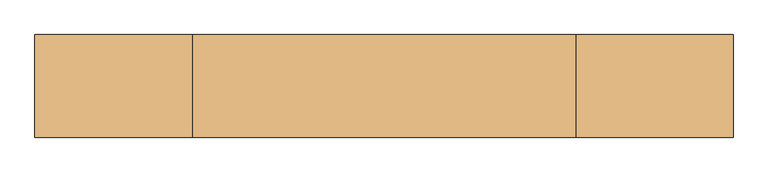
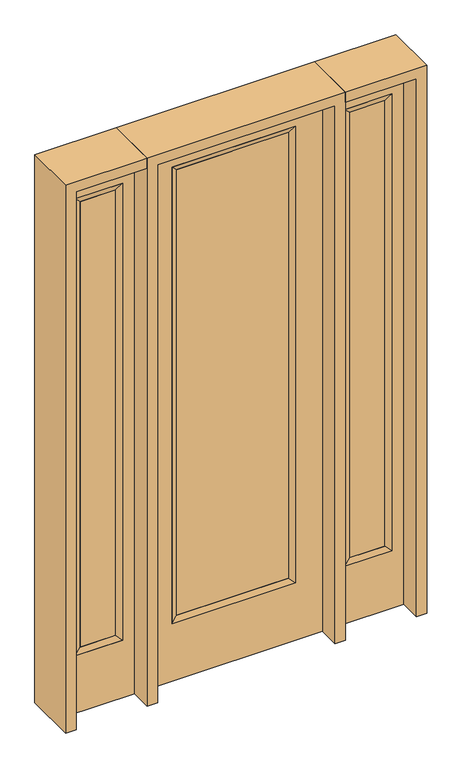
"""IFC4 building model written with IfcOpenShell, lengths in millimetres: door geometry."""

from ifc_helpers import new_model, si_unit, frame, origin, place, context, project, spatial, polyline, outline, extrude, faceted_brep, source, transform, mapped, element, save


def door_b85a08cd(model_context):
    return source(origin(), model_context, "Body", "SolidModel", [
        extrude(outline(polyline([(240.1824, -12.7039749), (-240.1824, -12.7039749), (-240.1824, 14.2875), (240.1824, 14.2875), (240.1824, -12.7039749)])), frame((0.0, 0.0, 285.75), z_axis=(0.0, 0.0, 1.0), x_axis=(1.0, 0.0, 0.0)), (0.0, 0.0, 1.0), 2019.3),
        faceted_brep([(240.1824, 14.2875, 2305.05), (265.5824, 22.225, 2330.45), (265.5824, 22.225, 260.35), (240.1824, 14.2875, 285.75), (265.5824, -22.225, 2330.45), (265.5824, -22.225, 260.35), (-265.5824, 22.225, 260.35), (-240.1824, 14.2875, 285.75), (240.1824, -12.7039749, 2305.05), (240.1824, -12.7039749, 285.75), (-240.1824, -12.7039749, 285.75), (-265.5824, -22.225, 260.35), (-265.5824, 22.225, 2330.45), (-240.1824, 14.2875, 2305.05), (-240.1824, -12.7039749, 2305.05), (-265.5824, -22.225, 2330.45)], [[[0, 1, 2, 3]], [[1, 4, 5, 2]], [[3, 2, 6, 7]], [[8, 0, 3, 9]], [[9, 3, 7, 10]], [[4, 8, 9, 5]], [[5, 9, 10, 11]], [[2, 5, 11, 6]], [[7, 6, 12, 13]], [[10, 7, 13, 14]], [[11, 10, 14, 15]], [[6, 11, 15, 12]], [[13, 12, 1, 0]], [[14, 13, 0, 8]], [[15, 14, 8, 4]], [[12, 15, 4, 1]]]),
        extrude(outline(polyline([(0.0, -381.0), (0.0, 381.0), (2438.4, 381.0), (2438.4, -381.0), (0.0, -381.0)]), holes=[polyline([(260.35, -265.5824), (2330.45, -265.5824), (2330.45, 265.5824), (260.35, 265.5824), (260.35, -265.5824)])]), frame((0.0, -22.225, 0.0), z_axis=(0.0, 1.0, 0.0), x_axis=(0.0, 0.0, 1.0)), (0.0, 0.0, 1.0), 44.45),
        faceted_brep([(476.25, 20.6375, 2330.45), (476.25, 20.6375, 260.35), (476.25, -20.6375, 260.35), (476.25, -20.6375, 2330.45), (501.65, -12.7, 285.75), (501.65, -12.7, 2305.05), (679.45, 20.6375, 260.35), (679.45, -20.6375, 260.35), (501.65, 12.7, 2305.05), (501.65, 12.7, 285.75), (654.05, 12.7, 285.75), (654.05, -12.7, 285.75), (679.45, 20.6375, 2330.45), (679.45, -20.6375, 2330.45), (654.05, 12.7, 2305.05), (654.05, -12.7, 2305.05)], [[[0, 1, 2, 3]], [[3, 2, 4, 5]], [[1, 6, 7, 2]], [[8, 9, 1, 0]], [[9, 10, 6, 1]], [[5, 4, 9, 8]], [[4, 11, 10, 9]], [[2, 7, 11, 4]], [[6, 12, 13, 7]], [[10, 14, 12, 6]], [[11, 15, 14, 10]], [[7, 13, 15, 11]], [[12, 0, 3, 13]], [[14, 8, 0, 12]], [[15, 5, 8, 14]], [[13, 3, 5, 15]]]),
        extrude(outline(polyline([(0.0, 730.25), (2438.4, 730.25), (2438.4, 425.45), (0.0, 425.45), (0.0, 730.25)]), holes=[polyline([(2330.45, 476.25), (2330.45, 679.45), (260.35, 679.45), (260.35, 476.25), (2330.45, 476.25)])]), frame((0.0, -20.6375, 0.0), z_axis=(0.0, 1.0, 0.0), x_axis=(0.0, 0.0, 1.0)), (0.0, 0.0, 1.0), 41.275),
        extrude(outline(polyline([(501.65, -12.7), (501.65, 12.7), (654.05, 12.7), (654.05, -12.7), (501.65, -12.7)])), frame((0.0, 0.0, 284.95625), z_axis=(0.0, 0.0, 1.0), x_axis=(1.0, 0.0, 0.0)), (0.0, 0.0, 1.0), 2020.09375),
        faceted_brep([(-476.25, 20.6375, 2330.45), (-476.25, -20.6375, 2330.45), (-476.25, -20.6375, 260.35), (-476.25, 20.6375, 260.35), (-501.65, -12.7, 2305.05), (-501.65, -12.7, 285.75), (-679.45, -20.6375, 260.35), (-679.45, 20.6375, 260.35), (-501.65, 12.7, 2305.05), (-501.65, 12.7, 285.75), (-654.05, 12.7, 285.75), (-654.05, -12.7, 285.75), (-679.45, -20.6375, 2330.45), (-679.45, 20.6375, 2330.45), (-654.05, 12.7, 2305.05), (-654.05, -12.7, 2305.05)], [[[0, 1, 2, 3]], [[1, 4, 5, 2]], [[3, 2, 6, 7]], [[8, 0, 3, 9]], [[9, 3, 7, 10]], [[4, 8, 9, 5]], [[5, 9, 10, 11]], [[2, 5, 11, 6]], [[7, 6, 12, 13]], [[10, 7, 13, 14]], [[11, 10, 14, 15]], [[6, 11, 15, 12]], [[13, 12, 1, 0]], [[14, 13, 0, 8]], [[15, 14, 8, 4]], [[12, 15, 4, 1]]]),
        extrude(outline(polyline([(0.0, -730.25), (0.0, -425.45), (2438.4, -425.45), (2438.4, -730.25), (0.0, -730.25)]), holes=[polyline([(2330.45, -476.25), (260.35, -476.25), (260.35, -679.45), (2330.45, -679.45), (2330.45, -476.25)])]), frame((0.0, -20.6375, 0.0), z_axis=(0.0, 1.0, 0.0), x_axis=(0.0, 0.0, 1.0)), (0.0, 0.0, 1.0), 41.275),
        extrude(outline(polyline([(-501.65, -12.7), (-654.05, -12.7), (-654.05, 12.7), (-501.65, 12.7), (-501.65, -12.7)])), frame((0.0, 0.0, 284.95625), z_axis=(0.0, 0.0, 1.0), x_axis=(1.0, 0.0, 0.0)), (0.0, 0.0, 1.0), 2020.09375),
        extrude(outline(polyline([(2438.4, -425.45), (2482.85, -425.45), (2482.85, -774.7), (0.0, -774.7), (0.0, -730.25), (2438.4, -730.25), (2438.4, -425.45)])), frame((0.0, -114.3, 0.0), z_axis=(0.0, 1.0, 0.0), x_axis=(0.0, 0.0, 1.0)), (0.0, 0.0, 1.0), 228.6),
        extrude(outline(polyline([(2482.85, -425.45), (0.0, -425.45), (0.0, -381.0), (2438.4, -381.0), (2438.4, 381.0), (0.0, 381.0), (0.0, 425.45), (2482.85, 425.45), (2482.85, -425.45)])), frame((0.0, -114.3, 0.0), z_axis=(0.0, 1.0, 0.0), x_axis=(0.0, 0.0, 1.0)), (0.0, 0.0, 1.0), 228.6),
        extrude(outline(polyline([(0.0, 730.25), (0.0, 774.7), (2482.85, 774.7), (2482.85, 425.45), (2438.4, 425.45), (2438.4, 730.25), (0.0, 730.25)])), frame((0.0, -114.3, 0.0), z_axis=(0.0, 1.0, 0.0), x_axis=(0.0, 0.0, 1.0)), (0.0, 0.0, 1.0), 228.6),
    ])


if __name__ == "__main__":
    model = new_model("IFC4")
    model_context = context("Model", 3, world=origin())
    ifc_project = project(units=[si_unit("LENGTHUNIT", "METRE", prefix="MILLI")], contexts=[model_context])
    site = spatial("IfcSite", under=ifc_project)
    building = spatial("IfcBuilding", under=site)
    placement = place(None, origin())
    door_shape = door_b85a08cd(model_context)
    element("IfcDoor", 1, at=placement, inside=building, context=model_context, shape_type="MappedRepresentation", body=[
        mapped(door_shape, transform((0.0, 0.0, 0.0), x_axis=(1.0, 0.0, 0.0), y_axis=(0.0, 1.0, 0.0), z_axis=(0.0, 0.0, 1.0))),
    ])
    save(model, "model.ifc")
